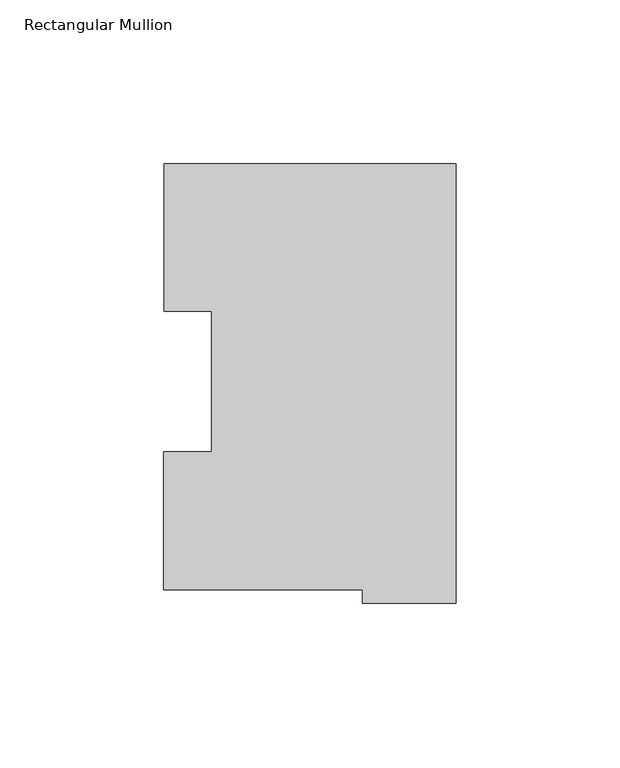
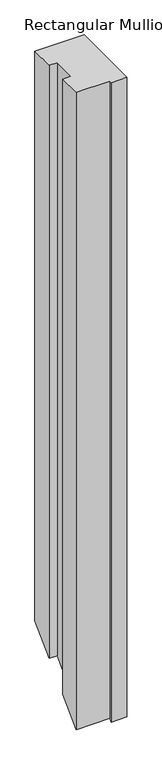
"""IFC4 building model written with IfcOpenShell, lengths in millimetres: member geometry, Rectangular Mullion."""

from ifc_helpers import new_model, si_unit, origin, place, context, project, spatial, faceted_brep, source, transform, mapped, element, save


def rectangular_mullion_d2f01b27(model_context):
    return source(origin(), model_context, "Body", "Brep", [
        faceted_brep([(-88.99652, 130.0368875, 0.0), (-88.99652, 85.1296875, 0.0), (-74.6252, 85.1296875, 0.0), (-74.6252, 42.2798875, 0.0), (-89.1408142, 42.2798875, 0.0), (-89.1408142, 0.2428875, 0.0), (-28.56992, 0.2428875, 0.0), (-28.56992, -3.9735125, 0.0), (0.0, -3.9735125, 0.0), (0.0, 130.0368875, 0.0), (-88.99652, 130.0368875, -1089.1607312), (-88.99652, 85.1296875, -1134.0679312), (-74.6252, 85.1296875, -1134.0679312), (-74.6252, 42.2798875, -1176.9177312), (-89.1408142, 42.2798875, -1176.9177312), (-89.1408142, 0.2428875, -1218.9547312), (-28.56992, 0.2428875, -1218.9547312), (-28.56992, -3.9735125, -1223.1711312), (0.0, -3.9735125, -1223.1711312), (0.0, 130.0368875, -1089.1607312)], [[[0, 1, 2, 3, 4, 5, 6, 7, 8, 9]], [[1, 0, 10, 11]], [[2, 1, 11, 12]], [[3, 2, 12, 13]], [[4, 3, 13, 14]], [[5, 4, 14, 15]], [[6, 5, 15, 16]], [[7, 6, 16, 17]], [[8, 7, 17, 18]], [[9, 8, 18, 19]], [[0, 9, 19, 10]], [[10, 19, 18, 17, 16, 15, 14, 13, 12, 11]]]),
    ])


if __name__ == "__main__":
    model = new_model("IFC4")
    model_context = context("Model", 3, world=origin())
    ifc_project = project(units=[si_unit("LENGTHUNIT", "METRE", prefix="MILLI")], contexts=[model_context])
    site = spatial("IfcSite", under=ifc_project)
    building = spatial("IfcBuilding", under=site)
    placement = place(None, origin())
    rectangular_mullion_shape = rectangular_mullion_d2f01b27(model_context)
    element("IfcMember", 1, ObjectType="Rectangular Mullion", at=placement, inside=building, context=model_context, shape_type="MappedRepresentation", body=[
        mapped(rectangular_mullion_shape, transform((0.0, 0.0, 0.0), x_axis=(1.0, 0.0, 0.0), y_axis=(0.0, 1.0, 0.0), z_axis=(0.0, 0.0, 1.0))),
    ])
    save(model, "model.ifc")
